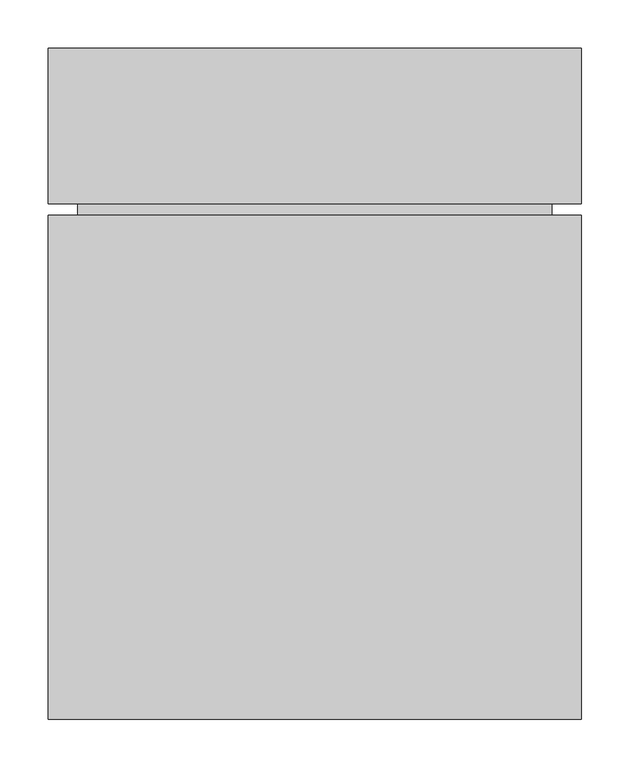
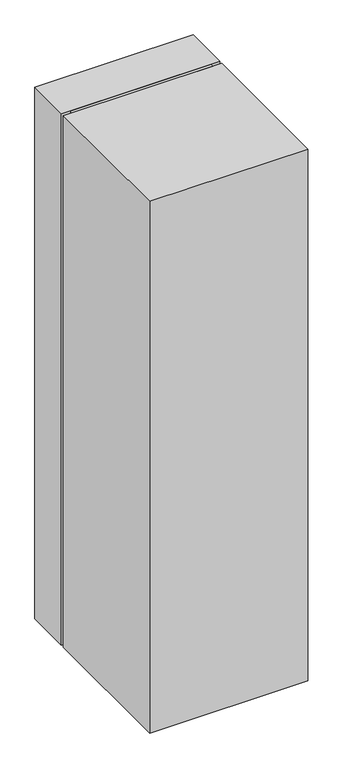
"""IFC4 building model written with IfcOpenShell, lengths in millimetres: proxy geometry."""

from ifc_helpers import new_model, si_unit, origin, origin_with_axes, place, context, project, spatial, polyline, outline, extrude, source, transform, mapped, element, save


def specialty_equipment_5e9ceb23(model_context):
    return source(origin(), model_context, "Body", "SweptSolid", [
        extrude(outline(polyline([(275.0, 432.0), (275.0, 272.0), (-275.0, 272.0), (-275.0, 432.0), (275.0, 432.0)])), origin_with_axes(), (0.0, 0.0, 1.0), 1955.0),
        extrude(outline(polyline([(244.7755311, 260.0), (-244.5481133, 260.0), (-244.5481133, 272.1), (244.7755311, 272.1), (244.7755311, 260.0)])), origin_with_axes(), (0.0, 0.0, 1.0), 1954.0),
        extrude(outline(polyline([(275.0, 260.0), (275.0, -260.0), (-275.0, -260.0), (-275.0, 260.0), (275.0, 260.0)])), origin_with_axes(), (0.0, 0.0, 1.0), 1955.0),
    ])


if __name__ == "__main__":
    model = new_model("IFC4")
    model_context = context("Model", 3, world=origin())
    ifc_project = project(units=[si_unit("LENGTHUNIT", "METRE", prefix="MILLI")], contexts=[model_context])
    site = spatial("IfcSite", under=ifc_project)
    building = spatial("IfcBuilding", under=site)
    placement = place(None, origin())
    specialty_equipment_shape = specialty_equipment_5e9ceb23(model_context)
    element("IfcBuildingElementProxy", 1, Name="Specialty Equipment", at=placement, inside=building, context=model_context, shape_type="MappedRepresentation", body=[
        mapped(specialty_equipment_shape, transform((0.0, 0.0, 0.0), x_axis=(1.0, 0.0, 0.0), y_axis=(0.0, 1.0, 0.0), z_axis=(0.0, 0.0, 1.0))),
    ])
    save(model, "model.ifc")
